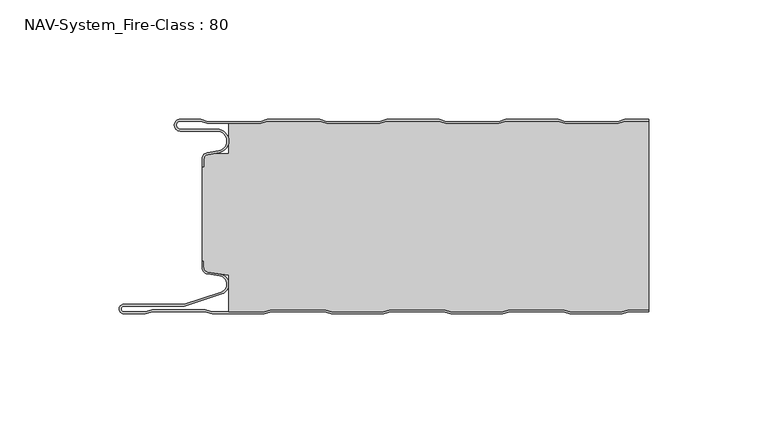
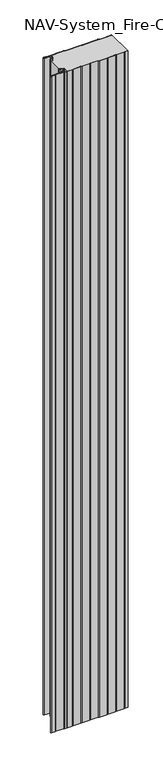
"""IFC4 building model written with IfcOpenShell, lengths in millimetres: plate geometry, NAV-System_Fire-Class : 80."""

from ifc_helpers import new_model, si_unit, frame, origin, place, context, project, spatial, polyline, circle_curve, source, transform, mapped, element, save
from ifc_brep_helpers import plane_surface, cylinder_surface, revolved_surface, advanced_brep


def nav_system_fire_class_80_16c3f309(model_context):
    return source(origin(), model_context, "Body", "AdvancedBrep", [
        advanced_brep(
        [(-88.6298221, -0.8, 0.0), (-97.0000001, -0.8, 0.0), (-97.0000001, -4.1999999, 0.0), (-81.6002086, -4.1999999, 0.0), (-80.7423864, -14.0049502, 0.0), (-85.6125665, -14.8636946, 0.0), (-87.1000004, -16.6363494, 0.0), (-87.1000014, -19.9421291, 0.0), (-87.9000014, -19.9421291, 0.0), (-87.9000014, -16.6363484, 0.0), (-85.7514853, -14.0758488, 0.0), (-80.8813015, -13.217104, 0.0), (-81.600205, -4.9999999, 0.0), (-97.0000001, -4.9999999, 0.0), (-97.0000001, 0.0, 0.0), (-88.5, 0.0, 0.0), (-85.5, -1.0, 0.0), (-63.5, -1.0, 0.0), (-60.5, 0.0, 0.0), (-38.5, 0.0, 0.0), (-35.5, -1.0, 0.0), (-13.5, -1.0, 0.0), (-10.5, 0.0, 0.0), (11.5, 0.0, 0.0), (14.5, -1.0, 0.0), (36.5, -1.0, 0.0), (39.5, 0.0, 0.0), (61.5, 0.0, 0.0), (64.5, -1.0, 0.0), (86.5, -1.0, 0.0), (89.5, 0.0, 0.0), (99.5, 0.0, 0.0), (99.5, -0.8, 0.0), (89.6298221, -0.8, 0.0), (86.6298221, -1.8, 0.0), (64.3701779, -1.8, 0.0), (61.3701779, -0.8, 0.0), (39.6298221, -0.8, 0.0), (36.6298221, -1.8, 0.0), (14.3701779, -1.8, 0.0), (11.3701779, -0.8, 0.0), (-10.3701779, -0.8, 0.0), (-13.3701779, -1.8, 0.0), (-35.6298221, -1.8, 0.0), (-38.6298221, -0.8, 0.0), (-60.3701779, -0.8, 0.0), (-63.3701779, -1.8, 0.0), (-85.6298221, -1.8, 0.0), (-88.6298221, -0.8, 2000.0), (-85.6298221, -1.8, 2000.0), (-63.3701779, -1.8, 2000.0), (-60.3701779, -0.8, 2000.0), (-38.6298221, -0.8, 2000.0), (-35.6298221, -1.8, 2000.0), (-13.3701779, -1.8, 2000.0), (-10.3701779, -0.8, 2000.0), (11.3701779, -0.8, 2000.0), (14.3701779, -1.8, 2000.0), (36.6298221, -1.8, 2000.0), (39.6298221, -0.8, 2000.0), (61.3701779, -0.8, 2000.0), (64.3701779, -1.8, 2000.0), (86.6298221, -1.8, 2000.0), (89.6298221, -0.8, 2000.0), (99.5, -0.8, 2000.0), (99.5, 0.0, 2000.0), (89.5, 0.0, 2000.0), (86.5, -1.0, 2000.0), (64.5, -1.0, 2000.0), (61.5, 0.0, 2000.0), (39.5, 0.0, 2000.0), (36.5, -1.0, 2000.0), (14.5, -1.0, 2000.0), (11.5, 0.0, 2000.0), (-10.5, 0.0, 2000.0), (-13.5, -1.0, 2000.0), (-35.5, -1.0, 2000.0), (-38.5, 0.0, 2000.0), (-60.5, 0.0, 2000.0), (-63.5, -1.0, 2000.0), (-85.5, -1.0, 2000.0), (-88.5, 0.0, 2000.0), (-97.0000001, 0.0, 2000.0), (-97.0000001, -4.9999999, 2000.0), (-81.600205, -4.9999999, 2000.0), (-80.8813015, -13.217104, 2000.0), (-85.7514853, -14.0758488, 2000.0), (-87.8999997, -16.6363484, 2000.0), (-87.9000014, -19.9421291, 2000.0), (-87.1000014, -19.9421291, 2000.0), (-87.1000014, -16.6363494, 2000.0), (-85.6125665, -14.8636946, 2000.0), (-80.7423864, -14.0049502, 2000.0), (-81.6002086, -4.1999999, 2000.0), (-97.0000001, -4.1999999, 2000.0), (-97.0000001, -0.8000002, 2000.0)],
        [
            (0, 1),
            (1, 2, circle_curve(frame((-97.0000001, -2.5, 0.0), z_axis=(0.0, 0.0, 1.0), x_axis=(1.0, 0.0, 0.0)), 1.6999999)),
            (2, 3),
            (3, 4, circle_curve(frame((-81.6002086, -9.1399999, 0.0), z_axis=(0.0, 0.0, -1.0), x_axis=(1.0, 0.0, 0.0)), 4.94)),
            (4, 5),
            (5, 6, circle_curve(frame((-85.2999995, -16.6363494, 0.0), z_axis=(0.0, 0.0, 1.0), x_axis=(1.0, 0.0, 0.0)), 1.8000009)),
            (6, 7),
            (7, 8),
            (8, 9),
            (9, 10, circle_curve(frame((-85.3000002, -16.6363484, 0.0), z_axis=(0.0, 0.0, -1.0), x_axis=(1.0, 0.0, 0.0)), 2.5999995)),
            (10, 11),
            (11, 12, circle_curve(frame((-81.600205, -9.1399999, 0.0), z_axis=(0.0, 0.0, 1.0), x_axis=(1.0, 0.0, 0.0)), 4.14)),
            (12, 13),
            (13, 14, circle_curve(frame((-97.0000001, -2.4999999, 0.0), z_axis=(0.0, 0.0, -1.0), x_axis=(1.0, 0.0, 0.0)), 2.4999999)),
            (14, 15),
            (15, 16),
            (16, 17),
            (17, 18),
            (18, 19),
            (19, 20),
            (20, 21),
            (21, 22),
            (22, 23),
            (23, 24),
            (24, 25),
            (25, 26),
            (26, 27),
            (27, 28),
            (28, 29),
            (29, 30),
            (30, 31),
            (31, 32),
            (32, 33),
            (33, 34),
            (34, 35),
            (35, 36),
            (36, 37),
            (37, 38),
            (38, 39),
            (39, 40),
            (40, 41),
            (41, 42),
            (42, 43),
            (43, 44),
            (44, 45),
            (45, 46),
            (46, 47),
            (47, 0),
            (48, 49),
            (49, 50),
            (50, 51),
            (51, 52),
            (52, 53),
            (53, 54),
            (54, 55),
            (55, 56),
            (56, 57),
            (57, 58),
            (58, 59),
            (59, 60),
            (60, 61),
            (61, 62),
            (62, 63),
            (63, 64),
            (64, 65),
            (65, 66),
            (66, 67),
            (67, 68),
            (68, 69),
            (69, 70),
            (70, 71),
            (71, 72),
            (72, 73),
            (73, 74),
            (74, 75),
            (75, 76),
            (76, 77),
            (77, 78),
            (78, 79),
            (79, 80),
            (80, 81),
            (81, 82),
            (82, 83, circle_curve(frame((-97.0000001, -2.4999999, 2000.0), z_axis=(0.0, 0.0, 1.0), x_axis=(1.0, 0.0, 0.0)), 2.4999999)),
            (83, 84),
            (84, 85, circle_curve(frame((-81.600205, -9.1399999, 2000.0), z_axis=(0.0, 0.0, -1.0), x_axis=(1.0, 0.0, 0.0)), 4.14)),
            (85, 86),
            (86, 87, circle_curve(frame((-85.3000002, -16.6363484, 2000.0), z_axis=(0.0, 0.0, 1.0), x_axis=(1.0, 0.0, 0.0)), 2.5999995)),
            (87, 88),
            (88, 89),
            (89, 90),
            (90, 91, circle_curve(frame((-85.2999995, -16.6363494, 2000.0), z_axis=(0.0, 0.0, -1.0), x_axis=(1.0, 0.0, 0.0)), 1.8000009)),
            (91, 92),
            (92, 93, circle_curve(frame((-81.6002086, -9.1399999, 2000.0), z_axis=(0.0, 0.0, 1.0), x_axis=(1.0, 0.0, 0.0)), 4.94)),
            (93, 94),
            (94, 95, circle_curve(frame((-97.0000001, -2.5, 2000.0), z_axis=(0.0, 0.0, -1.0), x_axis=(1.0, 0.0, 0.0)), 1.6999999)),
            (95, 48),
            (0, 48),
            (95, 1),
            (14, 82),
            (81, 15),
            (63, 33),
            (32, 64),
            (62, 34),
            (61, 35),
            (60, 36),
            (59, 37),
            (58, 38),
            (57, 39),
            (56, 40),
            (55, 41),
            (54, 42),
            (53, 43),
            (52, 44),
            (51, 45),
            (50, 46),
            (49, 47),
            (80, 16),
            (79, 17),
            (78, 18),
            (77, 19),
            (76, 20),
            (75, 21),
            (74, 22),
            (73, 23),
            (72, 24),
            (71, 25),
            (70, 26),
            (69, 27),
            (68, 28),
            (67, 29),
            (66, 30),
            (65, 31),
            (2, 94),
            (93, 3),
            (6, 90),
            (89, 7),
            (88, 8),
            (87, 9),
            (12, 84),
            (83, 13),
            (92, 4),
            (91, 5),
            (86, 10),
            (85, 11),
        ],
        [
            plane_surface(frame((-99.5, 0.0, 0.0), z_axis=(0.0, 0.0, -1.0), x_axis=(0.0, -1.0, 0.0))),
            plane_surface(frame((-99.5, 0.0, 2000.0), z_axis=(0.0, 0.0, 1.0), x_axis=(0.0, -1.0, 0.0))),
            plane_surface(frame((-88.6298221, -0.8, 0.0), z_axis=(0.0, -1.0, 0.0), x_axis=(0.0, 0.0, 1.0))),
            plane_surface(frame((-97.0000001, 0.0, 0.0), z_axis=(0.0, 1.0, 0.0), x_axis=(0.0, 0.0, 1.0))),
            plane_surface(frame((111.3701779, -0.8, 0.0), z_axis=(0.0, -1.0, 0.0), x_axis=(0.0, 0.0, 1.0))),
            plane_surface(frame((89.6298221, -0.8, 0.0), z_axis=(0.3162277660167413, -0.9486832980505461, 0.0), x_axis=(0.0, 0.0, 1.0))),
            plane_surface(frame((86.6298221, -1.8, 0.0), z_axis=(0.0, -1.0, 0.0), x_axis=(0.0, 0.0, 1.0))),
            plane_surface(frame((64.3701779, -1.8, 0.0), z_axis=(-0.31622776601675356, -0.948683298050542, 0.0), x_axis=(0.0, 0.0, 1.0))),
            plane_surface(frame((61.3701779, -0.8, 0.0), z_axis=(0.0, -1.0, 0.0), x_axis=(0.0, 0.0, 1.0))),
            plane_surface(frame((39.6298221, -0.8, 0.0), z_axis=(0.31622776601679226, -0.9486832980505291, 0.0), x_axis=(0.0, 0.0, 1.0))),
            plane_surface(frame((36.6298221, -1.8, 0.0), z_axis=(0.0, -1.0, 0.0), x_axis=(0.0, 0.0, 1.0))),
            plane_surface(frame((14.3701779, -1.8, 0.0), z_axis=(-0.3162277660168045, -0.948683298050525, 0.0), x_axis=(0.0, 0.0, 1.0))),
            plane_surface(frame((11.3701779, -0.8, 0.0), z_axis=(0.0, -1.0, 0.0), x_axis=(0.0, 0.0, 1.0))),
            plane_surface(frame((-10.3701779, -0.8, 0.0), z_axis=(0.31622776601679226, -0.9486832980505291, 0.0), x_axis=(0.0, 0.0, 1.0))),
            plane_surface(frame((-13.3701779, -1.8, 0.0), z_axis=(0.0, -1.0, 0.0), x_axis=(0.0, 0.0, 1.0))),
            plane_surface(frame((-35.6298221, -1.8, 0.0), z_axis=(-0.3162277660168045, -0.948683298050525, 0.0), x_axis=(0.0, 0.0, 1.0))),
            plane_surface(frame((-38.6298221, -0.8, 0.0), z_axis=(0.0, -1.0, 0.0), x_axis=(0.0, 0.0, 1.0))),
            plane_surface(frame((-60.3701779, -0.8, 0.0), z_axis=(0.3162277660167413, -0.9486832980505461, 0.0), x_axis=(0.0, 0.0, 1.0))),
            plane_surface(frame((-63.3701779, -1.8, 0.0), z_axis=(0.0, -1.0, 0.0), x_axis=(0.0, 0.0, 1.0))),
            plane_surface(frame((-85.6298221, -1.8, 0.0), z_axis=(-0.3162277660167413, -0.9486832980505461, 0.0), x_axis=(0.0, 0.0, 1.0))),
            plane_surface(frame((-88.5, 0.0, 0.0), z_axis=(0.31622776601671865, 0.9486832980505536, 0.0), x_axis=(0.0, 0.0, 1.0))),
            plane_surface(frame((-85.5, -1.0, 0.0), z_axis=(0.0, 1.0, 0.0), x_axis=(0.0, 0.0, 1.0))),
            plane_surface(frame((-63.5, -1.0, 0.0), z_axis=(-0.31622776601671865, 0.9486832980505536, 0.0), x_axis=(0.0, 0.0, 1.0))),
            plane_surface(frame((-60.5, 0.0, 0.0), z_axis=(0.0, 1.0, 0.0), x_axis=(0.0, 0.0, 1.0))),
            plane_surface(frame((-38.5, 0.0, 0.0), z_axis=(0.31622776601678754, 0.9486832980505306, 0.0), x_axis=(0.0, 0.0, 1.0))),
            plane_surface(frame((-35.5, -1.0, 0.0), z_axis=(0.0, 1.0, 0.0), x_axis=(0.0, 0.0, 1.0))),
            plane_surface(frame((-13.5, -1.0, 0.0), z_axis=(-0.3162277660167752, 0.9486832980505348, 0.0), x_axis=(0.0, 0.0, 1.0))),
            plane_surface(frame((-10.5, 0.0, 0.0), z_axis=(0.0, 1.0, 0.0), x_axis=(0.0, 0.0, 1.0))),
            plane_surface(frame((11.5, 0.0, 0.0), z_axis=(0.31622776601678754, 0.9486832980505306, 0.0), x_axis=(0.0, 0.0, 1.0))),
            plane_surface(frame((14.5, -1.0, 0.0), z_axis=(0.0, 1.0, 0.0), x_axis=(0.0, 0.0, 1.0))),
            plane_surface(frame((36.5, -1.0, 0.0), z_axis=(-0.3162277660167752, 0.9486832980505348, 0.0), x_axis=(0.0, 0.0, 1.0))),
            plane_surface(frame((39.5, 0.0, 0.0), z_axis=(0.0, 1.0, 0.0), x_axis=(0.0, 0.0, 1.0))),
            plane_surface(frame((61.5, 0.0, 0.0), z_axis=(0.3162277660167309, 0.9486832980505495, 0.0), x_axis=(0.0, 0.0, 1.0))),
            plane_surface(frame((64.5, -1.0, 0.0), z_axis=(0.0, 1.0, 0.0), x_axis=(0.0, 0.0, 1.0))),
            plane_surface(frame((86.5, -1.0, 0.0), z_axis=(-0.31622776601671865, 0.9486832980505536, 0.0), x_axis=(0.0, 0.0, 1.0))),
            plane_surface(frame((89.5, 0.0, 0.0), z_axis=(0.0, 1.0, 0.0), x_axis=(0.0, 0.0, 1.0))),
            plane_surface(frame((-97.0000001, -4.1999999, 0.0), z_axis=(0.0, 1.0, 0.0), x_axis=(0.0, 0.0, 1.0))),
            plane_surface(frame((-87.1000014, -16.6363494, 0.0), z_axis=(1.0, 0.0, 0.0), x_axis=(0.0, 0.0, 1.0))),
            plane_surface(frame((-87.1000014, -19.9421291, 0.0), z_axis=(0.0, -1.0, 0.0), x_axis=(0.0, 0.0, 1.0))),
            plane_surface(frame((-87.9000014, -19.9421291, 0.0), z_axis=(-1.0, 0.0, 0.0), x_axis=(0.0, 0.0, 1.0))),
            plane_surface(frame((-81.600205, -4.9999999, 0.0), z_axis=(0.0, -1.0, 0.0), x_axis=(0.0, 0.0, 1.0))),
            revolved_surface(polyline([(-95.3000002, -2.5, 2000.0), (-95.3000002, -2.5, 0.0)]), (-97.0000001, -2.5, 0.0), (0.0, 0.0, 1.0)),
            cylinder_surface(frame((-81.6002086, -9.1399999, 0.0), z_axis=(0.0, 0.0, -1.0), x_axis=(1.0, 0.0, 0.0)), 4.94),
            plane_surface(frame((-80.7423864, -14.0049502, 0.0), z_axis=(0.17364822279076972, -0.9848077450556567, 0.0), x_axis=(0.0, 0.0, 1.0))),
            revolved_surface(polyline([(-83.4999986, -16.6363494, 2000.0), (-83.4999986, -16.6363494, 0.0)]), (-85.2999995, -16.6363494, 0.0), (0.0, 0.0, 1.0)),
            cylinder_surface(frame((-85.3000002, -16.6363484, 0.0), z_axis=(0.0, 0.0, -1.0), x_axis=(1.0, 0.0, 0.0)), 2.5999995),
            plane_surface(frame((-85.7514853, -14.0758488, 0.0), z_axis=(-0.17364817295915452, 0.984807753842316, 0.0), x_axis=(0.0, 0.0, 1.0))),
            revolved_surface(polyline([(-77.460205, -9.1399999, 2000.0), (-77.460205, -9.1399999, 0.0)]), (-81.600205, -9.1399999, 0.0), (0.0, 0.0, 1.0)),
            cylinder_surface(frame((-97.0000001, -2.4999999, 0.0), z_axis=(0.0, 0.0, -1.0), x_axis=(1.0, 0.0, 0.0)), 2.4999999),
            plane_surface(frame((99.5, 100.0, 2000.0), z_axis=(1.0, 0.0, 0.0), x_axis=(0.0, 0.0, -1.0))),
        ],
        [
            (0, [[1, 2, 3, 4, 5, 6, 7, 8, 9, 10, 11, 12, 13, 14, 15, 16, 17, 18, 19, 20, 21, 22, 23, 24, 25, 26, 27, 28, 29, 30, 31, 32, 33, 34, 35, 36, 37, 38, 39, 40, 41, 42, 43, 44, 45, 46, 47, 48]]),
            (1, [[49, 50, 51, 52, 53, 54, 55, 56, 57, 58, 59, 60, 61, 62, 63, 64, 65, 66, 67, 68, 69, 70, 71, 72, 73, 74, 75, 76, 77, 78, 79, 80, 81, 82, 83, 84, 85, 86, 87, 88, 89, 90, 91, 92, 93, 94, 95, 96]]),
            (2, [[-1, 97, -96, 98]]),
            (3, [[-15, 99, -82, 100]]),
            (4, [[101, -33, 102, -64]]),
            (5, [[-34, -101, -63, 103]]),
            (6, [[-35, -103, -62, 104]]),
            (7, [[-36, -104, -61, 105]]),
            (8, [[-37, -105, -60, 106]]),
            (9, [[-38, -106, -59, 107]]),
            (10, [[-39, -107, -58, 108]]),
            (11, [[-40, -108, -57, 109]]),
            (12, [[-41, -109, -56, 110]]),
            (13, [[-42, -110, -55, 111]]),
            (14, [[-43, -111, -54, 112]]),
            (15, [[-44, -112, -53, 113]]),
            (16, [[-45, -113, -52, 114]]),
            (17, [[-46, -114, -51, 115]]),
            (18, [[-47, -115, -50, 116]]),
            (19, [[-48, -116, -49, -97]]),
            (20, [[-16, -100, -81, 117]]),
            (21, [[-17, -117, -80, 118]]),
            (22, [[-18, -118, -79, 119]]),
            (23, [[-19, -119, -78, 120]]),
            (24, [[-20, -120, -77, 121]]),
            (25, [[-21, -121, -76, 122]]),
            (26, [[-22, -122, -75, 123]]),
            (27, [[-23, -123, -74, 124]]),
            (28, [[-24, -124, -73, 125]]),
            (29, [[-25, -125, -72, 126]]),
            (30, [[-26, -126, -71, 127]]),
            (31, [[-27, -127, -70, 128]]),
            (32, [[-28, -128, -69, 129]]),
            (33, [[-29, -129, -68, 130]]),
            (34, [[-30, -130, -67, 131]]),
            (35, [[-131, -66, 132, -31]]),
            (36, [[-3, 133, -94, 134]]),
            (37, [[-7, 135, -90, 136]]),
            (38, [[-8, -136, -89, 137]]),
            (39, [[-9, -137, -88, 138]]),
            (40, [[-13, 139, -84, 140]]),
            (41, [[-2, -98, -95, -133]]),
            (42, [[-4, -134, -93, 141]]),
            (43, [[-5, -141, -92, 142]]),
            (44, [[-6, -142, -91, -135]]),
            (45, [[-10, -138, -87, 143]]),
            (46, [[-11, -143, -86, 144]]),
            (47, [[-12, -144, -85, -139]]),
            (48, [[-14, -140, -83, -99]]),
            (49, [[-32, -132, -65, -102]]),
        ],
    ),
        advanced_brep(
        [(89.6181262, -0.8, 2000.0), (86.6181262, -1.8, 2000.0), (64.3584819, -1.8, 2000.0), (61.3584819, -0.8, 2000.0), (39.6181262, -0.8, 2000.0), (36.6181262, -1.8, 2000.0), (14.3584819, -1.8, 2000.0), (11.3584819, -0.8, 2000.0), (-10.3818738, -0.8, 2000.0), (-13.3818738, -1.8, 2000.0), (-35.6415181, -1.8, 2000.0), (-38.6415181, -0.8, 2000.0), (-60.3818738, -0.8, 2000.0), (-63.3818738, -1.8, 2000.0), (-76.6719045, -1.8, 2000.0), (-76.6719045, -14.4343223, 2000.0), (-83.1891722, -14.4343223, 2000.0), (-85.6242625, -14.8636946, 2000.0), (-87.1116964, -16.636349, 2000.0), (-87.1116974, -19.9512003, 2000.0), (-87.9116974, -19.9512003, 2000.0), (-87.9116974, -59.3983656, 2000.0), (-87.1116974, -59.3983656, 2000.0), (-87.1116974, -62.1656409, 2000.0), (-85.4245663, -64.1410176, 2000.0), (-76.6248082, -65.5347623, 2000.0), (-76.6248082, -80.8, 2000.0), (-61.8218295, -80.8, 2000.0), (-58.7610803, -80.0, 2000.0), (-36.5891849, -80.0, 2000.0), (-33.5284357, -80.8, 2000.0), (-11.8218295, -80.8, 2000.0), (-8.7610803, -80.0, 2000.0), (13.4108151, -80.0, 2000.0), (16.4715643, -80.8, 2000.0), (38.1904, -80.8, 2000.0), (41.2511493, -80.0, 2000.0), (63.4108151, -80.0, 2000.0), (66.4715643, -80.8, 2000.0), (88.1781705, -80.8, 2000.0), (91.2389197, -80.0, 2000.0), (99.5, -80.0, 2000.0), (99.5, -0.8, 2000.0), (91.2389197, -80.0, 0.0), (88.1781705, -80.8, 0.0), (66.4715643, -80.8, 0.0), (63.4108151, -80.0, 0.0), (41.2511493, -80.0, 0.0), (38.1904, -80.8, 0.0), (16.4715643, -80.8, 0.0), (13.4108151, -80.0, 0.0), (-8.7610803, -80.0, 0.0), (-11.8218295, -80.8, 0.0), (-33.5284357, -80.8, 0.0), (-36.5891849, -80.0, 0.0), (-58.7610803, -80.0, 0.0), (-61.8218295, -80.8, 0.0), (-76.6248082, -80.8, 0.0), (-76.6248082, -65.5347623, 0.0), (-85.4245663, -64.1410176, 0.0), (-87.1116974, -62.1656409, 0.0), (-87.1116974, -59.3983656, 0.0), (-87.9116974, -59.3983656, 0.0), (-87.9116974, -19.9512003, 0.0), (-87.1116974, -19.9512003, 0.0), (-87.1116974, -16.636349, 0.0), (-85.6242625, -14.8636946, 0.0), (-83.1891722, -14.4343223, 0.0), (-76.6719045, -14.4343223, 0.0), (-76.6719045, -1.8, 0.0), (-63.3818738, -1.8, 0.0), (-60.3818738, -0.8, 0.0), (-38.6415181, -0.8, 0.0), (-35.6415181, -1.8, 0.0), (-13.3818738, -1.8, 0.0), (-10.3818738, -0.8, 0.0), (11.3584819, -0.8, 0.0), (14.3584819, -1.8, 0.0), (36.6181262, -1.8, 0.0), (39.6181262, -0.8, 0.0), (61.3584819, -0.8, 0.0), (64.3584819, -1.8, 0.0), (86.6181262, -1.8, 0.0), (89.6181262, -0.8, 0.0), (99.5, -0.8, 0.0), (99.5, -80.0, 0.0)],
        [
            (0, 1),
            (1, 2),
            (2, 3),
            (3, 4),
            (4, 5),
            (5, 6),
            (6, 7),
            (7, 8),
            (8, 9),
            (9, 10),
            (10, 11),
            (11, 12),
            (12, 13),
            (13, 14),
            (14, 15),
            (15, 16),
            (16, 17),
            (17, 18, circle_curve(frame((-85.3116955, -16.6363494, 2000.0), z_axis=(0.0, 0.0, 1.0), x_axis=(1.0, 0.0, 0.0)), 1.8000009)),
            (18, 19),
            (19, 20),
            (20, 21),
            (21, 22),
            (22, 23),
            (23, 24, circle_curve(frame((-85.1116974, -62.1656409, 2000.0), z_axis=(0.0, 0.0, 1.0), x_axis=(1.0, 0.0, 0.0)), 2.0)),
            (24, 25),
            (25, 26),
            (26, 27),
            (27, 28),
            (28, 29),
            (29, 30),
            (30, 31),
            (31, 32),
            (32, 33),
            (33, 34),
            (34, 35),
            (35, 36),
            (36, 37),
            (37, 38),
            (38, 39),
            (39, 40),
            (40, 41),
            (41, 42),
            (42, 0),
            (43, 44),
            (44, 45),
            (45, 46),
            (46, 47),
            (47, 48),
            (48, 49),
            (49, 50),
            (50, 51),
            (51, 52),
            (52, 53),
            (53, 54),
            (54, 55),
            (55, 56),
            (56, 57),
            (57, 58),
            (58, 59),
            (59, 60, circle_curve(frame((-85.1116974, -62.1656409, 0.0), z_axis=(0.0, 0.0, -1.0), x_axis=(1.0, 0.0, 0.0)), 2.0)),
            (60, 61),
            (61, 62),
            (62, 63),
            (63, 64),
            (64, 65),
            (65, 66, circle_curve(frame((-85.3116955, -16.6363494, 0.0), z_axis=(0.0, 0.0, -1.0), x_axis=(1.0, 0.0, 0.0)), 1.8000009)),
            (66, 67),
            (67, 68),
            (68, 69),
            (69, 70),
            (70, 71),
            (71, 72),
            (72, 73),
            (73, 74),
            (74, 75),
            (75, 76),
            (76, 77),
            (77, 78),
            (78, 79),
            (79, 80),
            (80, 81),
            (81, 82),
            (82, 83),
            (83, 84),
            (84, 85),
            (85, 43),
            (83, 0),
            (42, 84),
            (82, 1),
            (81, 2),
            (80, 3),
            (79, 4),
            (78, 5),
            (77, 6),
            (76, 7),
            (75, 8),
            (74, 9),
            (73, 10),
            (72, 11),
            (71, 12),
            (70, 13),
            (69, 14),
            (68, 15),
            (67, 16),
            (66, 17),
            (65, 18),
            (64, 19),
            (63, 20),
            (62, 21),
            (61, 22),
            (60, 23),
            (59, 24),
            (58, 25),
            (57, 26),
            (56, 27),
            (55, 28),
            (54, 29),
            (53, 30),
            (52, 31),
            (51, 32),
            (50, 33),
            (49, 34),
            (48, 35),
            (47, 36),
            (46, 37),
            (45, 38),
            (44, 39),
            (43, 40),
            (85, 41),
        ],
        [
            plane_surface(frame((-99.5, 0.0, 2000.0), z_axis=(0.0, 0.0, 1.0), x_axis=(0.0, -1.0, 0.0))),
            plane_surface(frame((-99.5, 0.0, 0.0), z_axis=(0.0, 0.0, -1.0), x_axis=(0.0, -1.0, 0.0))),
            plane_surface(frame((111.3584819, -0.8, 2000.0), z_axis=(0.0, 1.0, 0.0), x_axis=(0.0, 0.0, -1.0))),
            plane_surface(frame((89.6181262, -0.8, 2000.0), z_axis=(-0.31622776601684405, 0.9486832980505119, 0.0), x_axis=(0.0, 0.0, -1.0))),
            plane_surface(frame((86.6181262, -1.8, 2000.0), z_axis=(0.0, 1.0, 0.0), x_axis=(0.0, 0.0, -1.0))),
            plane_surface(frame((64.3584819, -1.8, 2000.0), z_axis=(0.3162277660164755, 0.9486832980506347, 0.0), x_axis=(0.0, 0.0, -1.0))),
            plane_surface(frame((61.3584819, -0.8, 2000.0), z_axis=(0.0, 1.0, 0.0), x_axis=(0.0, 0.0, -1.0))),
            plane_surface(frame((39.6181262, -0.8, 2000.0), z_axis=(-0.3162277660169692, 0.94868329805047, 0.0), x_axis=(0.0, 0.0, -1.0))),
            plane_surface(frame((36.6181262, -1.8, 2000.0), z_axis=(0.0, 1.0, 0.0), x_axis=(0.0, 0.0, -1.0))),
            plane_surface(frame((14.3584819, -1.8, 2000.0), z_axis=(0.31622776601655256, 0.948683298050609, 0.0), x_axis=(0.0, 0.0, -1.0))),
            plane_surface(frame((11.3584819, -0.8, 2000.0), z_axis=(0.0, 1.0, 0.0), x_axis=(0.0, 0.0, -1.0))),
            plane_surface(frame((-10.3818738, -0.8, 2000.0), z_axis=(-0.31622776601696284, 0.9486832980504722, 0.0), x_axis=(0.0, 0.0, -1.0))),
            plane_surface(frame((-13.3818738, -1.8, 2000.0), z_axis=(0.0, 1.0, 0.0), x_axis=(0.0, 0.0, -1.0))),
            plane_surface(frame((-35.6415181, -1.8, 2000.0), z_axis=(0.31622776601661995, 0.9486832980505865, 0.0), x_axis=(0.0, 0.0, -1.0))),
            plane_surface(frame((-38.6415181, -0.8, 2000.0), z_axis=(0.0, 1.0, 0.0), x_axis=(0.0, 0.0, -1.0))),
            plane_surface(frame((-60.3818738, -0.8, 2000.0), z_axis=(-0.3162277660168055, 0.9486832980505246, 0.0), x_axis=(0.0, 0.0, -1.0))),
            plane_surface(frame((-63.3818738, -1.8, 2000.0), z_axis=(0.0, 1.0, 0.0), x_axis=(0.0, 0.0, -1.0))),
            plane_surface(frame((-76.6719045, -1.8, 2000.0), z_axis=(-1.0, 0.0, 0.0), x_axis=(0.0, 0.0, -1.0))),
            plane_surface(frame((-76.6719045, -14.4343223, 2000.0), z_axis=(0.0, 1.0, 0.0), x_axis=(0.0, 0.0, -1.0))),
            plane_surface(frame((-83.1891722, -14.4343223, 2000.0), z_axis=(-0.17364822279077605, 0.9848077450556556, 0.0), x_axis=(0.0, 0.0, -1.0))),
            cylinder_surface(frame((-85.3116955, -16.6363494, 2000.0), z_axis=(0.0, 0.0, 1.0), x_axis=(1.0, 0.0, 0.0)), 1.8000009),
            plane_surface(frame((-87.1116974, -16.636349, 2000.0), z_axis=(-1.0, 0.0, 0.0), x_axis=(0.0, 0.0, -1.0))),
            plane_surface(frame((-87.1116974, -19.9512003, 2000.0), z_axis=(0.0, 1.0, 0.0), x_axis=(0.0, 0.0, -1.0))),
            plane_surface(frame((-87.9116974, -19.9512003, 2000.0), z_axis=(-1.0, 0.0, 0.0), x_axis=(0.0, 0.0, -1.0))),
            plane_surface(frame((-87.9116974, -59.3983656, 2000.0), z_axis=(0.0, -1.0, 0.0), x_axis=(0.0, 0.0, -1.0))),
            plane_surface(frame((-87.1116974, -59.3983656, 2000.0), z_axis=(-1.0, 0.0, 0.0), x_axis=(0.0, 0.0, -1.0))),
            cylinder_surface(frame((-85.1116974, -62.1656409, 2000.0), z_axis=(0.0, 0.0, 1.0), x_axis=(1.0, 0.0, 0.0)), 2.0),
            plane_surface(frame((-85.4245663, -64.1410176, 2000.0), z_axis=(-0.15643446503999506, -0.9876883405951751, 0.0), x_axis=(0.0, 0.0, -1.0))),
            plane_surface(frame((-76.6248082, -65.5347623, 2000.0), z_axis=(-1.0, 0.0, 0.0), x_axis=(0.0, 0.0, -1.0))),
            plane_surface(frame((-76.6248082, -80.8, 2000.0), z_axis=(0.0, -1.0, 0.0), x_axis=(0.0, 0.0, -1.0))),
            plane_surface(frame((-61.8218295, -80.8, 2000.0), z_axis=(0.25287873100818337, -0.9674979831522601, 0.0), x_axis=(0.0, 0.0, -1.0))),
            plane_surface(frame((-58.7610803, -80.0, 2000.0), z_axis=(0.0, -1.0, 0.0), x_axis=(0.0, 0.0, -1.0))),
            plane_surface(frame((-36.5891849, -80.0, 2000.0), z_axis=(-0.25287873100938985, -0.9674979831519447, 0.0), x_axis=(0.0, 0.0, -1.0))),
            plane_surface(frame((-33.5284357, -80.8, 2000.0), z_axis=(0.0, -1.0, 0.0), x_axis=(0.0, 0.0, -1.0))),
            plane_surface(frame((-11.8218295, -80.8, 2000.0), z_axis=(0.2528787310082863, -0.9674979831522332, 0.0), x_axis=(0.0, 0.0, -1.0))),
            plane_surface(frame((-8.7610803, -80.0, 2000.0), z_axis=(0.0, -1.0, 0.0), x_axis=(0.0, 0.0, -1.0))),
            plane_surface(frame((13.4108151, -80.0, 2000.0), z_axis=(-0.25287873100843145, -0.9674979831521953, 0.0), x_axis=(0.0, 0.0, -1.0))),
            plane_surface(frame((16.4715643, -80.8, 2000.0), z_axis=(0.0, -1.0, 0.0), x_axis=(0.0, 0.0, -1.0))),
            plane_surface(frame((38.1904, -80.8, 2000.0), z_axis=(0.2528787310081133, -0.9674979831522784, 0.0), x_axis=(0.0, 0.0, -1.0))),
            plane_surface(frame((41.2511493, -80.0, 2000.0), z_axis=(0.0, -1.0, 0.0), x_axis=(0.0, 0.0, -1.0))),
            plane_surface(frame((63.4108151, -80.0, 2000.0), z_axis=(-0.25287873100834907, -0.9674979831522168, 0.0), x_axis=(0.0, 0.0, -1.0))),
            plane_surface(frame((66.4715643, -80.8, 2000.0), z_axis=(0.0, -1.0, 0.0), x_axis=(0.0, 0.0, -1.0))),
            plane_surface(frame((88.1781705, -80.8, 2000.0), z_axis=(0.2528787310082685, -0.9674979831522379, 0.0), x_axis=(0.0, 0.0, -1.0))),
            plane_surface(frame((91.2389197, -80.0, 2000.0), z_axis=(0.0, -1.0, 0.0), x_axis=(0.0, 0.0, -1.0))),
            plane_surface(frame((99.5, 100.0, 2000.0), z_axis=(1.0, 0.0, 0.0), x_axis=(0.0, 0.0, -1.0))),
        ],
        [
            (0, [[1, 2, 3, 4, 5, 6, 7, 8, 9, 10, 11, 12, 13, 14, 15, 16, 17, 18, 19, 20, 21, 22, 23, 24, 25, 26, 27, 28, 29, 30, 31, 32, 33, 34, 35, 36, 37, 38, 39, 40, 41, 42, 43]]),
            (1, [[44, 45, 46, 47, 48, 49, 50, 51, 52, 53, 54, 55, 56, 57, 58, 59, 60, 61, 62, 63, 64, 65, 66, 67, 68, 69, 70, 71, 72, 73, 74, 75, 76, 77, 78, 79, 80, 81, 82, 83, 84, 85, 86]]),
            (2, [[87, -43, 88, -84]]),
            (3, [[-1, -87, -83, 89]]),
            (4, [[-2, -89, -82, 90]]),
            (5, [[-3, -90, -81, 91]]),
            (6, [[-4, -91, -80, 92]]),
            (7, [[-5, -92, -79, 93]]),
            (8, [[-6, -93, -78, 94]]),
            (9, [[-7, -94, -77, 95]]),
            (10, [[-8, -95, -76, 96]]),
            (11, [[-9, -96, -75, 97]]),
            (12, [[-10, -97, -74, 98]]),
            (13, [[-11, -98, -73, 99]]),
            (14, [[-12, -99, -72, 100]]),
            (15, [[-13, -100, -71, 101]]),
            (16, [[-14, -101, -70, 102]]),
            (17, [[-15, -102, -69, 103]]),
            (18, [[-16, -103, -68, 104]]),
            (19, [[-17, -104, -67, 105]]),
            (20, [[-18, -105, -66, 106]]),
            (21, [[-19, -106, -65, 107]]),
            (22, [[-20, -107, -64, 108]]),
            (23, [[-21, -108, -63, 109]]),
            (24, [[-22, -109, -62, 110]]),
            (25, [[-23, -110, -61, 111]]),
            (26, [[-24, -111, -60, 112]]),
            (27, [[-25, -112, -59, 113]]),
            (28, [[-26, -113, -58, 114]]),
            (29, [[-27, -114, -57, 115]]),
            (30, [[-28, -115, -56, 116]]),
            (31, [[-29, -116, -55, 117]]),
            (32, [[-30, -117, -54, 118]]),
            (33, [[-31, -118, -53, 119]]),
            (34, [[-32, -119, -52, 120]]),
            (35, [[-33, -120, -51, 121]]),
            (36, [[-34, -121, -50, 122]]),
            (37, [[-35, -122, -49, 123]]),
            (38, [[-36, -123, -48, 124]]),
            (39, [[-37, -124, -47, 125]]),
            (40, [[-38, -125, -46, 126]]),
            (41, [[-39, -126, -45, 127]]),
            (42, [[-40, -127, -44, 128]]),
            (43, [[-128, -86, 129, -41]]),
            (44, [[-42, -129, -85, -88]]),
        ],
    ),
        advanced_brep(
        [(91.239397, -80.0, 2000.0), (88.1786477, -80.8, 2000.0), (66.4720416, -80.8, 2000.0), (63.4112923, -80.0, 2000.0), (41.2516265, -80.0, 2000.0), (38.1908772, -80.8, 2000.0), (16.4720416, -80.8, 2000.0), (13.4112923, -80.0, 2000.0), (-8.760603, -80.0, 2000.0), (-11.8213523, -80.8, 2000.0), (-33.5279584, -80.8, 2000.0), (-36.5887077, -80.0, 2000.0), (-58.760603, -80.0, 2000.0), (-61.8213523, -80.8, 2000.0), (-83.5279584, -80.8, 2000.0), (-86.5887077, -80.0, 2000.0), (-108.760603, -80.0, 2000.0), (-111.8190206, -80.7993906, 2000.0), (-120.7154182, -80.7993906, 2000.0), (-120.6771783, -78.4000003, 2000.0), (-95.3414726, -78.4000003, 2000.0), (-79.6231923, -73.2926893, 2000.0), (-80.2358126, -64.9629887, 2000.0), (-85.4240891, -64.1412465, 2000.0), (-87.1112201, -62.1658698, 2000.0), (-87.1112201, -59.3985945, 2000.0), (-87.9112201, -59.3985945, 2000.0), (-87.9112201, -62.1658698, 2000.0), (-85.5140582, -64.93674, 2000.0), (-80.4044746, -65.7460185, 2000.0), (-79.8704103, -72.5316172, 2000.0), (-95.4681798, -77.6000003, 2000.0), (-120.6771783, -77.6000003, 2000.0), (-120.726556, -81.5993906, 2000.0), (-111.7161981, -81.5993906, 2000.0), (-108.6577806, -80.8, 2000.0), (-86.6915302, -80.8, 2000.0), (-83.6307809, -81.6, 2000.0), (-61.7185298, -81.6, 2000.0), (-58.6577806, -80.8, 2000.0), (-36.6915302, -80.8, 2000.0), (-33.6307809, -81.6, 2000.0), (-11.7185298, -81.6, 2000.0), (-8.6577806, -80.8, 2000.0), (13.3084698, -80.8, 2000.0), (16.3692191, -81.6, 2000.0), (38.2936997, -81.6, 2000.0), (41.354449, -80.8, 2000.0), (63.3084698, -80.8, 2000.0), (66.3692191, -81.6, 2000.0), (88.2814702, -81.6, 2000.0), (91.3422194, -80.8, 2000.0), (99.5, -80.8, 2000.0), (99.5, -80.0, 2000.0), (91.3422194, -80.8, 0.0), (88.2814702, -81.6, 0.0), (66.3692191, -81.6, 0.0), (63.3084698, -80.8, 0.0), (41.354449, -80.8, 0.0), (38.2936997, -81.6, 0.0), (16.3692191, -81.6, 0.0), (13.3084698, -80.8, 0.0), (-8.6577806, -80.8, 0.0), (-11.7185298, -81.6, 0.0), (-33.6307809, -81.6, 0.0), (-36.6915302, -80.8, 0.0), (-58.6577806, -80.8, 0.0), (-61.7185298, -81.6, 0.0), (-83.6307809, -81.6, 0.0), (-86.6915302, -80.8, 0.0), (-108.6577806, -80.8, 0.0), (-111.7161981, -81.5993906, 0.0), (-120.726556, -81.5993906, 0.0), (-120.6771783, -77.6000003, 0.0), (-95.4681798, -77.6000003, 0.0), (-79.8704103, -72.5318461, 0.0), (-80.4044746, -65.7460185, 0.0), (-85.5140582, -64.93674, 0.0), (-87.9112201, -62.1658698, 0.0), (-87.9112201, -59.3985945, 0.0), (-87.1112201, -59.3985945, 0.0), (-87.1112201, -62.1658698, 0.0), (-85.4240891, -64.1412465, 0.0), (-80.2358126, -64.9629887, 0.0), (-79.6231923, -73.2924604, 0.0), (-95.3414726, -78.4000003, 0.0), (-120.6771783, -78.4000003, 0.0), (-120.7154182, -80.7993906, 0.0), (-111.8190206, -80.7993906, 0.0), (-108.760603, -80.0, 0.0), (-86.5887077, -80.0, 0.0), (-83.5279584, -80.8, 0.0), (-61.8213523, -80.8, 0.0), (-58.760603, -80.0, 0.0), (-36.5887077, -80.0, 0.0), (-33.5279584, -80.8, 0.0), (-11.8213523, -80.8, 0.0), (-8.760603, -80.0, 0.0), (13.4112923, -80.0, 0.0), (16.4720416, -80.8, 0.0), (38.1908772, -80.8, 0.0), (41.2516265, -80.0, 0.0), (63.4112923, -80.0, 0.0), (66.4720416, -80.8, 0.0), (88.1786477, -80.8, 0.0), (91.239397, -80.0, 0.0), (99.5, -80.0, 0.0), (99.5, -80.8, 0.0)],
        [
            (0, 1),
            (1, 2),
            (2, 3),
            (3, 4),
            (4, 5),
            (5, 6),
            (6, 7),
            (7, 8),
            (8, 9),
            (9, 10),
            (10, 11),
            (11, 12),
            (12, 13),
            (13, 14),
            (14, 15),
            (15, 16),
            (16, 17),
            (17, 18),
            (18, 19, circle_curve(frame((-120.6771783, -79.6000001, 2000.0), z_axis=(0.0, 0.0, -1.0), x_axis=(1.0, 0.0, 0.0)), 1.1999999)),
            (19, 20),
            (20, 21),
            (21, 22, circle_curve(frame((-80.9519964, -69.2029275, 2000.0), z_axis=(0.0, 0.0, 1.0), x_axis=(1.0, 0.0, 0.0)), 4.3)),
            (22, 23),
            (23, 24, circle_curve(frame((-85.1112201, -62.1658698, 2000.0), z_axis=(0.0, 0.0, -1.0), x_axis=(1.0, 0.0, 0.0)), 2.0)),
            (24, 25),
            (25, 26),
            (26, 27),
            (27, 28, circle_curve(frame((-85.1112201, -62.1658698, 2000.0), z_axis=(0.0, 0.0, 1.0), x_axis=(1.0, 0.0, 0.0)), 2.8)),
            (28, 29),
            (29, 30, circle_curve(frame((-80.9519952, -69.2029277, 2000.0), z_axis=(0.0, 0.0, -1.0), x_axis=(1.0, 0.0, 0.0)), 3.5)),
            (30, 31),
            (31, 32),
            (32, 33, circle_curve(frame((-120.6771783, -79.6000003, 2000.0), z_axis=(0.0, 0.0, 1.0), x_axis=(1.0, 0.0, 0.0)), 1.9999999)),
            (33, 34),
            (34, 35),
            (35, 36),
            (36, 37),
            (37, 38),
            (38, 39),
            (39, 40),
            (40, 41),
            (41, 42),
            (42, 43),
            (43, 44),
            (44, 45),
            (45, 46),
            (46, 47),
            (47, 48),
            (48, 49),
            (49, 50),
            (50, 51),
            (51, 52),
            (52, 53),
            (53, 0),
            (54, 55),
            (55, 56),
            (56, 57),
            (57, 58),
            (58, 59),
            (59, 60),
            (60, 61),
            (61, 62),
            (62, 63),
            (63, 64),
            (64, 65),
            (65, 66),
            (66, 67),
            (67, 68),
            (68, 69),
            (69, 70),
            (70, 71),
            (71, 72),
            (72, 73, circle_curve(frame((-120.6771783, -79.6000003, 0.0), z_axis=(0.0, 0.0, -1.0), x_axis=(1.0, 0.0, 0.0)), 1.9999999)),
            (73, 74),
            (74, 75),
            (75, 76, circle_curve(frame((-80.9519952, -69.2029277, 0.0), z_axis=(0.0, 0.0, 1.0), x_axis=(1.0, 0.0, 0.0)), 3.5)),
            (76, 77),
            (77, 78, circle_curve(frame((-85.1112201, -62.1658698, 0.0), z_axis=(0.0, 0.0, -1.0), x_axis=(1.0, 0.0, 0.0)), 2.8)),
            (78, 79),
            (79, 80),
            (80, 81),
            (81, 82, circle_curve(frame((-85.1112201, -62.1658698, 0.0), z_axis=(0.0, 0.0, 1.0), x_axis=(1.0, 0.0, 0.0)), 2.0)),
            (82, 83),
            (83, 84, circle_curve(frame((-80.9519964, -69.2029275, 0.0), z_axis=(0.0, 0.0, -1.0), x_axis=(1.0, 0.0, 0.0)), 4.3)),
            (84, 85),
            (85, 86),
            (86, 87, circle_curve(frame((-120.6771783, -79.6000001, 0.0), z_axis=(0.0, 0.0, 1.0), x_axis=(1.0, 0.0, 0.0)), 1.1999999)),
            (87, 88),
            (88, 89),
            (89, 90),
            (90, 91),
            (91, 92),
            (92, 93),
            (93, 94),
            (94, 95),
            (95, 96),
            (96, 97),
            (97, 98),
            (98, 99),
            (99, 100),
            (100, 101),
            (101, 102),
            (102, 103),
            (103, 104),
            (104, 105),
            (105, 106),
            (106, 107),
            (107, 54),
            (17, 88),
            (87, 18),
            (86, 19),
            (85, 20),
            (84, 21),
            (22, 83),
            (82, 23),
            (81, 24),
            (80, 25),
            (79, 26),
            (78, 27),
            (77, 28),
            (30, 75),
            (74, 31),
            (73, 32),
            (72, 33),
            (71, 34),
            (105, 0),
            (53, 106),
            (104, 1),
            (103, 2),
            (102, 3),
            (101, 4),
            (100, 5),
            (99, 6),
            (98, 7),
            (97, 8),
            (96, 9),
            (95, 10),
            (94, 11),
            (93, 12),
            (92, 13),
            (91, 14),
            (90, 15),
            (89, 16),
            (76, 29),
            (70, 35),
            (69, 36),
            (68, 37),
            (67, 38),
            (66, 39),
            (65, 40),
            (64, 41),
            (63, 42),
            (62, 43),
            (61, 44),
            (60, 45),
            (59, 46),
            (58, 47),
            (57, 48),
            (56, 49),
            (55, 50),
            (54, 51),
            (107, 52),
        ],
        [
            plane_surface(frame((-99.5, -81.6, 2000.0), z_axis=(0.0, 0.0, 1.0), x_axis=(-1.0, 0.0, 0.0))),
            plane_surface(frame((-99.5, -81.6, 0.0), z_axis=(0.0, 0.0, -1.0), x_axis=(-1.0, 0.0, 0.0))),
            plane_surface(frame((-111.8190206, -80.7993906, 2000.0), z_axis=(0.0, 1.0, 0.0), x_axis=(0.0, 0.0, -1.0))),
            revolved_surface(polyline([(-119.4771784, -79.6000001, 0.0), (-119.4771784, -79.6000001, 2000.0)]), (-120.6771783, -79.6000001, 2000.0), (0.0, 0.0, -1.0)),
            plane_surface(frame((-120.6771783, -78.4000003, 2000.0), z_axis=(0.0, -1.0, 0.0), x_axis=(0.0, 0.0, -1.0))),
            plane_surface(frame((-95.3414726, -78.4000003, 2000.0), z_axis=(0.30902422182651945, -0.9510541679234229, 0.0), x_axis=(0.0, 0.0, -1.0))),
            plane_surface(frame((-80.2358126, -64.9629887, 2000.0), z_axis=(0.15643446504003203, 0.9876883405951694, 0.0), x_axis=(0.0, 0.0, -1.0))),
            revolved_surface(polyline([(-83.1112201, -62.1658698, 0.0), (-83.1112201, -62.1658698, 2000.0)]), (-85.1112201, -62.1658698, 2000.0), (0.0, 0.0, -1.0)),
            plane_surface(frame((-87.1112201, -62.1658698, 2000.0), z_axis=(1.0, 0.0, 0.0), x_axis=(0.0, 0.0, -1.0))),
            plane_surface(frame((-87.1112201, -59.3985945, 2000.0), z_axis=(0.0, 1.0, 0.0), x_axis=(0.0, 0.0, -1.0))),
            plane_surface(frame((-87.9112201, -59.3985945, 2000.0), z_axis=(-1.0, 0.0, 0.0), x_axis=(0.0, 0.0, -1.0))),
            cylinder_surface(frame((-85.1112201, -62.1658698, 2000.0), z_axis=(0.0, 0.0, 1.0), x_axis=(1.0, 0.0, 0.0)), 2.8),
            plane_surface(frame((-79.8704103, -72.5318461, 2000.0), z_axis=(-0.3090242543637345, 0.9510541573511668, 0.0), x_axis=(0.0, 0.0, -1.0))),
            plane_surface(frame((-95.4681798, -77.6000003, 2000.0), z_axis=(0.0, 1.0, 0.0), x_axis=(0.0, 0.0, -1.0))),
            cylinder_surface(frame((-120.6771783, -79.6000003, 2000.0), z_axis=(0.0, 0.0, 1.0), x_axis=(1.0, 0.0, 0.0)), 1.9999999),
            plane_surface(frame((-120.726556, -81.5993906, 2000.0), z_axis=(0.0, -1.0, 0.0), x_axis=(0.0, 0.0, -1.0))),
            plane_surface(frame((113.4112923, -80.0, 2000.0), z_axis=(0.0, 1.0, 0.0), x_axis=(0.0, 0.0, -1.0))),
            plane_surface(frame((91.239397, -80.0, 2000.0), z_axis=(-0.25287873100816, 0.9674979831522662, 0.0), x_axis=(0.0, 0.0, -1.0))),
            plane_surface(frame((88.1786477, -80.8, 2000.0), z_axis=(0.0, 1.0, 0.0), x_axis=(0.0, 0.0, -1.0))),
            plane_surface(frame((66.4720416, -80.8, 2000.0), z_axis=(0.2528787310081598, 0.9674979831522662, 0.0), x_axis=(0.0, 0.0, -1.0))),
            plane_surface(frame((63.4112923, -80.0, 2000.0), z_axis=(0.0, 1.0, 0.0), x_axis=(0.0, 0.0, -1.0))),
            plane_surface(frame((41.2516265, -80.0, 2000.0), z_axis=(-0.25287873100816, 0.9674979831522662, 0.0), x_axis=(0.0, 0.0, -1.0))),
            plane_surface(frame((38.1908772, -80.8, 2000.0), z_axis=(0.0, 1.0, 0.0), x_axis=(0.0, 0.0, -1.0))),
            plane_surface(frame((16.4720416, -80.8, 2000.0), z_axis=(0.2528787310083406, 0.9674979831522191, 0.0), x_axis=(0.0, 0.0, -1.0))),
            plane_surface(frame((13.4112923, -80.0, 2000.0), z_axis=(0.0, 1.0, 0.0), x_axis=(0.0, 0.0, -1.0))),
            plane_surface(frame((-8.760603, -80.0, 2000.0), z_axis=(-0.25287873100834074, 0.9674979831522189, 0.0), x_axis=(0.0, 0.0, -1.0))),
            plane_surface(frame((-11.8213523, -80.8, 2000.0), z_axis=(0.0, 1.0, 0.0), x_axis=(0.0, 0.0, -1.0))),
            plane_surface(frame((-33.5279584, -80.8, 2000.0), z_axis=(0.2528787310081598, 0.9674979831522662, 0.0), x_axis=(0.0, 0.0, -1.0))),
            plane_surface(frame((-36.5887077, -80.0, 2000.0), z_axis=(0.0, 1.0, 0.0), x_axis=(0.0, 0.0, -1.0))),
            plane_surface(frame((-58.760603, -80.0, 2000.0), z_axis=(-0.25287873100816, 0.9674979831522662, 0.0), x_axis=(0.0, 0.0, -1.0))),
            plane_surface(frame((-61.8213523, -80.8, 2000.0), z_axis=(0.0, 1.0, 0.0), x_axis=(0.0, 0.0, -1.0))),
            plane_surface(frame((-83.5279584, -80.8, 2000.0), z_axis=(0.2528787310081598, 0.9674979831522662, 0.0), x_axis=(0.0, 0.0, -1.0))),
            plane_surface(frame((-86.5887077, -80.0, 2000.0), z_axis=(0.0, 1.0, 0.0), x_axis=(0.0, 0.0, -1.0))),
            plane_surface(frame((-108.760603, -80.0, 2000.0), z_axis=(-0.25287873100816, 0.9674979831522662, 0.0), x_axis=(0.0, 0.0, -1.0))),
            cylinder_surface(frame((-80.9519964, -69.2029275, 2000.0), z_axis=(0.0, 0.0, 1.0), x_axis=(1.0, 0.0, 0.0)), 4.3),
            plane_surface(frame((-85.5140582, -64.93674, 2000.0), z_axis=(-0.15643446504045883, -0.9876883405951018, 0.0), x_axis=(0.0, 0.0, -1.0))),
            revolved_surface(polyline([(-77.4519952, -69.2029277, 0.0), (-77.4519952, -69.2029277, 2000.0)]), (-80.9519952, -69.2029277, 2000.0), (0.0, 0.0, -1.0)),
            plane_surface(frame((-111.7161981, -81.5993906, 2000.0), z_axis=(0.25287873100765673, -0.9674979831523978, 0.0), x_axis=(0.0, 0.0, -1.0))),
            plane_surface(frame((-108.6577806, -80.8, 2000.0), z_axis=(0.0, -1.0, 0.0), x_axis=(0.0, 0.0, -1.0))),
            plane_surface(frame((-86.6915302, -80.8, 2000.0), z_axis=(-0.2528787310076565, -0.9674979831523979, 0.0), x_axis=(0.0, 0.0, -1.0))),
            plane_surface(frame((-83.6307809, -81.6, 2000.0), z_axis=(0.0, -1.0, 0.0), x_axis=(0.0, 0.0, -1.0))),
            plane_surface(frame((-61.7185298, -81.6, 2000.0), z_axis=(0.25287873100765673, -0.9674979831523978, 0.0), x_axis=(0.0, 0.0, -1.0))),
            plane_surface(frame((-58.6577806, -80.8, 2000.0), z_axis=(0.0, -1.0, 0.0), x_axis=(0.0, 0.0, -1.0))),
            plane_surface(frame((-36.6915302, -80.8, 2000.0), z_axis=(-0.2528787310078372, -0.9674979831523505, 0.0), x_axis=(0.0, 0.0, -1.0))),
            plane_surface(frame((-33.6307809, -81.6, 2000.0), z_axis=(0.0, -1.0, 0.0), x_axis=(0.0, 0.0, -1.0))),
            plane_surface(frame((-11.7185298, -81.6, 2000.0), z_axis=(0.2528787310078374, -0.9674979831523505, 0.0), x_axis=(0.0, 0.0, -1.0))),
            plane_surface(frame((-8.6577806, -80.8, 2000.0), z_axis=(0.0, -1.0, 0.0), x_axis=(0.0, 0.0, -1.0))),
            plane_surface(frame((13.3084698, -80.8, 2000.0), z_axis=(-0.2528787310078372, -0.9674979831523505, 0.0), x_axis=(0.0, 0.0, -1.0))),
            plane_surface(frame((16.3692191, -81.6, 2000.0), z_axis=(0.0, -1.0, 0.0), x_axis=(0.0, 0.0, -1.0))),
            plane_surface(frame((38.2936997, -81.6, 2000.0), z_axis=(0.2528787310083481, -0.967497983152217, 0.0), x_axis=(0.0, 0.0, -1.0))),
            plane_surface(frame((41.354449, -80.8, 2000.0), z_axis=(0.0, -1.0, 0.0), x_axis=(0.0, 0.0, -1.0))),
            plane_surface(frame((63.3084698, -80.8, 2000.0), z_axis=(-0.2528787310076565, -0.9674979831523979, 0.0), x_axis=(0.0, 0.0, -1.0))),
            plane_surface(frame((66.3692191, -81.6, 2000.0), z_axis=(0.0, -1.0, 0.0), x_axis=(0.0, 0.0, -1.0))),
            plane_surface(frame((88.2814702, -81.6, 2000.0), z_axis=(0.25287873100765673, -0.9674979831523978, 0.0), x_axis=(0.0, 0.0, -1.0))),
            plane_surface(frame((91.3422194, -80.8, 2000.0), z_axis=(0.0, -1.0, 0.0), x_axis=(0.0, 0.0, -1.0))),
            plane_surface(frame((99.5, 100.0, 2000.0), z_axis=(1.0, 0.0, 0.0), x_axis=(0.0, 0.0, -1.0))),
        ],
        [
            (0, [[1, 2, 3, 4, 5, 6, 7, 8, 9, 10, 11, 12, 13, 14, 15, 16, 17, 18, 19, 20, 21, 22, 23, 24, 25, 26, 27, 28, 29, 30, 31, 32, 33, 34, 35, 36, 37, 38, 39, 40, 41, 42, 43, 44, 45, 46, 47, 48, 49, 50, 51, 52, 53, 54]]),
            (1, [[55, 56, 57, 58, 59, 60, 61, 62, 63, 64, 65, 66, 67, 68, 69, 70, 71, 72, 73, 74, 75, 76, 77, 78, 79, 80, 81, 82, 83, 84, 85, 86, 87, 88, 89, 90, 91, 92, 93, 94, 95, 96, 97, 98, 99, 100, 101, 102, 103, 104, 105, 106, 107, 108]]),
            (2, [[-18, 109, -88, 110]]),
            (3, [[-19, -110, -87, 111]]),
            (4, [[-20, -111, -86, 112]]),
            (5, [[-21, -112, -85, 113]]),
            (6, [[-23, 114, -83, 115]]),
            (7, [[-24, -115, -82, 116]]),
            (8, [[-25, -116, -81, 117]]),
            (9, [[-26, -117, -80, 118]]),
            (10, [[-27, -118, -79, 119]]),
            (11, [[-28, -119, -78, 120]]),
            (12, [[-31, 121, -75, 122]]),
            (13, [[-32, -122, -74, 123]]),
            (14, [[-33, -123, -73, 124]]),
            (15, [[-34, -124, -72, 125]]),
            (16, [[126, -54, 127, -106]]),
            (17, [[-1, -126, -105, 128]]),
            (18, [[-2, -128, -104, 129]]),
            (19, [[-3, -129, -103, 130]]),
            (20, [[-4, -130, -102, 131]]),
            (21, [[-5, -131, -101, 132]]),
            (22, [[-6, -132, -100, 133]]),
            (23, [[-7, -133, -99, 134]]),
            (24, [[-8, -134, -98, 135]]),
            (25, [[-9, -135, -97, 136]]),
            (26, [[-10, -136, -96, 137]]),
            (27, [[-11, -137, -95, 138]]),
            (28, [[-12, -138, -94, 139]]),
            (29, [[-13, -139, -93, 140]]),
            (30, [[-14, -140, -92, 141]]),
            (31, [[-15, -141, -91, 142]]),
            (32, [[-16, -142, -90, 143]]),
            (33, [[-17, -143, -89, -109]]),
            (34, [[-22, -113, -84, -114]]),
            (35, [[-29, -120, -77, 144]]),
            (36, [[-30, -144, -76, -121]]),
            (37, [[-35, -125, -71, 145]]),
            (38, [[-36, -145, -70, 146]]),
            (39, [[-37, -146, -69, 147]]),
            (40, [[-38, -147, -68, 148]]),
            (41, [[-39, -148, -67, 149]]),
            (42, [[-40, -149, -66, 150]]),
            (43, [[-41, -150, -65, 151]]),
            (44, [[-42, -151, -64, 152]]),
            (45, [[-43, -152, -63, 153]]),
            (46, [[-44, -153, -62, 154]]),
            (47, [[-45, -154, -61, 155]]),
            (48, [[-46, -155, -60, 156]]),
            (49, [[-47, -156, -59, 157]]),
            (50, [[-48, -157, -58, 158]]),
            (51, [[-49, -158, -57, 159]]),
            (52, [[-50, -159, -56, 160]]),
            (53, [[-51, -160, -55, 161]]),
            (54, [[-161, -108, 162, -52]]),
            (55, [[-53, -162, -107, -127]]),
        ],
    ),
    ])


if __name__ == "__main__":
    model = new_model("IFC4")
    model_context = context("Model", 3, world=origin())
    ifc_project = project(units=[si_unit("LENGTHUNIT", "METRE", prefix="MILLI")], contexts=[model_context])
    site = spatial("IfcSite", under=ifc_project)
    building = spatial("IfcBuilding", under=site)
    placement = place(None, origin())
    nav_system_fire_class_80_shape = nav_system_fire_class_80_16c3f309(model_context)
    element("IfcPlate", 1, ObjectType="NAV-System_Fire-Class : 80", at=placement, inside=building, context=model_context, shape_type="MappedRepresentation", body=[
        mapped(nav_system_fire_class_80_shape, transform((0.0, 0.0, 0.0), x_axis=(1.0, 0.0, 0.0), y_axis=(0.0, 1.0, 0.0), z_axis=(0.0, 0.0, 1.0))),
    ])
    save(model, "model.ifc")
